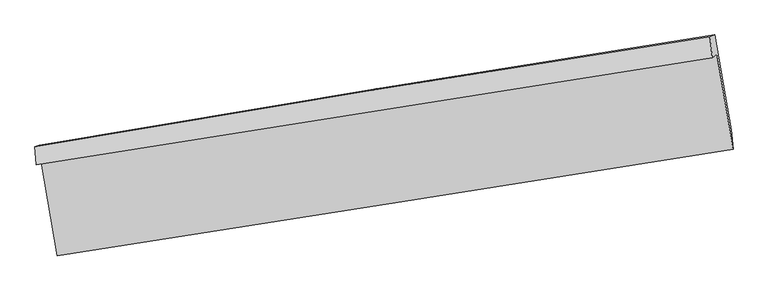
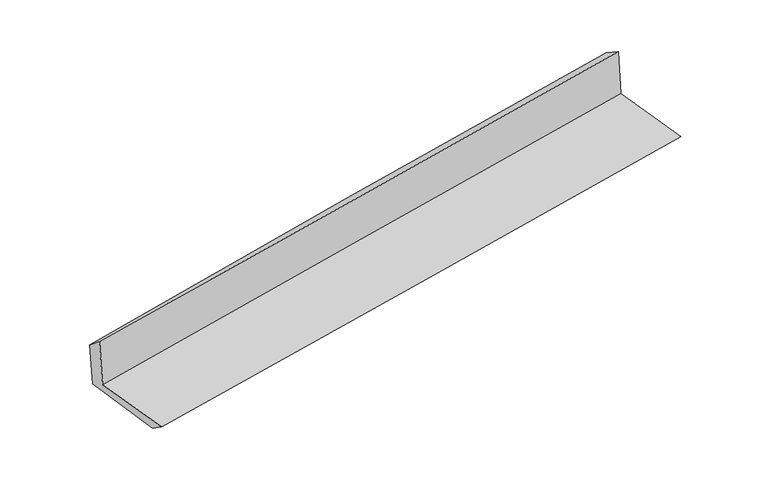
"""IFC4 building model written with IfcOpenShell, lengths in millimetres: proxy geometry."""

from ifc_helpers import new_model, si_unit, frame, origin, place, context, project, spatial, source, transform, mapped, element, save
from ifc_brep_helpers import plane_surface, spline_curve, spline_surface, advanced_brep


def generic_models_77f1a9a8(model_context):
    return source(origin(), model_context, "Body", "AdvancedBrep", [
        advanced_brep(
        [(-2387.631477, -1868.2403325, 1659.8923098), (-2278.0308674, -2521.5850602, 1650.9910548), (2448.4367162, -1775.7628556, 2081.0106591), (2335.4132915, -1113.0639478, 2097.6503986), (-2422.5742411, -1884.293183, 2061.8731), (2302.6490319, -1136.0593605, 2488.837331), (-2433.6428289, -1760.6643742, 1960.2118325), (2286.6944314, -989.3642936, 2395.7250519), (-2401.9618837, -1749.5814312, 1601.9309125), (2319.4816439, -977.8953557, 2024.9964556), (-2288.6911112, -2414.3268705, 1574.0908486), (2434.2746048, -1642.1676765, 1992.2862781)],
        [
            (0, 1),
            (1, 2, spline_curve(3, [(-2278.0308674, -2521.5850602, 1650.9910548), (-1489.908620033, -2399.322553105, 1721.312691955), (-701.999506684, -2276.043349912, 1792.306223232), (873.489740468, -2027.436199493, 1935.64592517), (1661.0698216, -1902.108001193, 2007.992262068), (2448.4367162, -1775.7628556, 2081.0106591)], [4, 2, 4], [0.0, 7.879478792293889, 15.759930779549702])),
            (2, 3),
            (3, 0, spline_curve(3, [(2335.4132915, -1113.0639478, 2097.6503986), (1547.888926556, -1237.780490816, 2025.960664424), (760.515384916, -1363.074049433, 1953.633664519), (-813.832833792, -1614.799653604, 1807.714144389), (-1600.807548425, -1741.23155648, 1734.121781291), (-2387.631477, -1868.2403325, 1659.8923098)], [4, 2, 4], [0.0, 7.880451987255813, 15.759930779549702])),
            (4, 0),
            (3, 5),
            (5, 4, spline_curve(3, [(2302.6490319, -1136.0593605, 2488.837331), (1515.48322641, -1261.933981687, 2415.347857467), (728.107388858, -1387.227925538, 2343.02064248), (-846.967087086, -1636.63905602, 2200.699519423), (-1634.665673995, -1760.756386632, 2130.705323895), (-2422.5742411, -1884.293183, 2061.8731)], [4, 2, 4], [0.0, 7.879531553355535, 15.75809002541796])),
            (6, 4),
            (5, 7),
            (7, 6, spline_curve(3, [(2286.6944314, -989.3642936, 2395.7250519), (1498.803177366, -1111.378893378, 2323.669009815), (711.471856035, -1236.665371007, 2251.345962699), (-861.973759048, -1493.766205903, 2106.174823796), (-1648.088191157, -1625.579755253, 2033.326797455), (-2433.6428289, -1760.6643742, 1960.2118325)], [4, 2, 4], [0.0, 7.879277295720625, 15.75758154154764])),
            (8, 6),
            (7, 9),
            (9, 8, spline_curve(3, [(2319.4816439, -977.8953557, 2024.9964556), (1531.772724475, -1099.8459595, 1950.865221876), (744.440364403, -1225.132611342, 1878.542077823), (-829.374051641, -1482.362127022, 1737.520676421), (-1615.85620085, -1614.304167077, 1668.821972921), (-2401.9618837, -1749.5814312, 1601.9309125)], [4, 2, 4], [0.0, 7.879079473363366, 15.757185921263158])),
            (10, 8),
            (9, 11),
            (11, 10, spline_curve(3, [(2434.2746048, -1642.1676765, 1992.2862781), (1646.40494656, -1764.108927487, 1917.304402792), (858.865357393, -1889.430334853, 1844.961856968), (-715.456466498, -2146.817567571, 1705.564032218), (-1502.238782608, -2278.882558293, 1638.508101532), (-2288.6911112, -2414.3268705, 1574.0908486)], [4, 2, 4], [0.0, 7.8800887287862995, 15.759204307471213])),
            (1, 10),
            (11, 2),
        ],
        [
            spline_surface(3, 3, [[(-2387.631477, -1868.2403325, 1659.8923098), (-1600.80754846, -1741.231556529, 1734.121781232), (-813.832833897, -1614.799653543, 1807.714144291), (760.515385021, -1363.074049493, 1953.633664618), (1547.888926623, -1237.780490863, 2025.960664482), (2335.4132915, -1113.0639478, 2097.6503986)], [(-2351.097940488, -2086.021908398, 1656.925224811), (-1563.841239003, -1960.59522205, 1729.852084795), (-776.555058149, -1835.214218969, 1802.578170555), (798.173503527, -1584.528099481, 1947.637751479), (1585.615891629, -1459.222994285, 2019.97119703), (2373.087766384, -1333.963583715, 2092.103818774)], [(-2314.564403912, -2303.803484302, 1653.958139789), (-1526.87492948, -2179.958887578, 1725.582388324), (-739.277282452, -2055.628784459, 1797.442196877), (835.831621982, -1805.982149532, 1941.641838399), (1623.342856684, -1680.665497761, 2013.981729555), (2410.762241316, -1554.863219685, 2086.557238926)], [(-2278.0308674, -2521.5850602, 1650.9910548), (-1489.908620023, -2399.322553099, 1721.312691887), (-701.999506703, -2276.043349885, 1792.306223141), (873.489740487, -2027.43619952, 1935.645925261), (1661.06982169, -1902.108001184, 2007.992262104), (2448.4367162, -1775.7628556, 2081.0106591)]], [4, 4], [4, 2, 4], [0.0, 2.206279897661887], [0.0, 7.879478792293889, 15.759930779549702]),
            spline_surface(3, 3, [[(-2422.5742411, -1884.293183, 2061.8731), (-1634.665674024, -1760.756386694, 2130.705323787), (-846.967087217, -1636.639056147, 2200.699519299), (728.107388988, -1387.227925411, 2343.020642604), (1515.483226516, -1261.933981755, 2415.347857386), (2302.6490319, -1136.0593605, 2488.837331)], [(-2410.926653042, -1878.942232831, 1927.879503275), (-1623.379632144, -1754.24810997, 1998.510809611), (-835.922336131, -1629.35925528, 2069.704394298), (738.910054312, -1379.176633439, 2213.224983277), (1526.285126577, -1253.882818128, 2285.552126412), (2313.570451792, -1128.394222938, 2358.441686861)], [(-2399.279065058, -1873.591282669, 1793.885906525), (-1612.093590339, -1747.739833253, 1866.316295409), (-824.877584983, -1622.079454411, 1938.709269292), (749.712719697, -1371.125341465, 2083.429323945), (1537.087026562, -1245.831654489, 2155.756395456), (2324.491871608, -1120.729085362, 2228.046042739)], [(-2387.631477, -1868.2403325, 1659.8923098), (-1600.80754846, -1741.231556529, 1734.121781232), (-813.832833897, -1614.799653543, 1807.714144291), (760.515385021, -1363.074049493, 1953.633664618), (1547.888926623, -1237.780490863, 2025.960664482), (2335.4132915, -1113.0639478, 2097.6503986)]], [4, 4], [4, 2, 4], [0.0, 1.2901222256845222], [0.0, 7.8785584720624255, 15.75809002541796]),
            spline_surface(3, 3, [[(-2433.6428289, -1760.6643742, 1960.2118325), (-1648.088191206, -1625.579755129, 2033.32679754), (-861.973759089, -1493.766205927, 2106.174823698), (711.471856077, -1236.665370983, 2251.345962797), (1498.80317735, -1111.378893333, 2323.669009728), (2286.6944314, -989.3642936, 2395.7250519)], [(-2429.95329964, -1801.873977107, 1994.09892166), (-1643.614018819, -1670.638632292, 2065.786306282), (-856.9715351, -1541.390489329, 2137.683055582), (717.017033745, -1286.852889122, 2281.904189416), (1504.36319371, -1161.563922806, 2354.228625605), (2292.012631538, -1038.262649232, 2426.762478257)], [(-2426.26377036, -1843.083580093, 2027.98601084), (-1639.139846411, -1715.697509532, 2098.245815045), (-851.969311206, -1589.014772744, 2169.191287416), (722.56221132, -1337.040407273, 2312.462415985), (1509.923210156, -1211.748952282, 2384.788241509), (2297.330831762, -1087.161004868, 2457.799904643)], [(-2422.5742411, -1884.293183, 2061.8731), (-1634.665674024, -1760.756386694, 2130.705323787), (-846.967087217, -1636.639056147, 2200.699519299), (728.107388988, -1387.227925411, 2343.020642604), (1515.483226516, -1261.933981755, 2415.347857386), (2302.6490319, -1136.0593605, 2488.837331)]], [4, 4], [4, 2, 4], [0.0, 0.5724483031830063], [0.0, 7.878304245827016, 15.75758154154764]),
            spline_surface(3, 3, [[(-2401.9618837, -1749.5814312, 1601.9309125), (-1615.85620093, -1614.304167019, 1668.821973016), (-829.374051712, -1482.36212706, 1737.520676541), (744.440364473, -1225.132611303, 1878.542077702), (1531.772724484, -1099.84595944, 1950.865221851), (2319.4816439, -977.8953557, 2024.9964556)], [(-2412.522198785, -1753.275745536, 1721.357885823), (-1626.600197708, -1618.062696392, 1790.32358118), (-840.240620856, -1486.163486691, 1860.405392266), (733.450861656, -1228.976864538, 2002.810039407), (1520.782875457, -1103.690270739, 2075.133151142), (2308.552573084, -981.718335002, 2148.572654365)], [(-2423.082513815, -1756.970059864, 1840.784859177), (-1637.344194429, -1621.821225756, 1911.825189376), (-851.107189945, -1489.964846296, 1983.290107973), (722.461358893, -1232.821117748, 2127.078001093), (1509.793026377, -1107.534582033, 2199.401080437), (2297.623502216, -985.541314298, 2272.148853135)], [(-2433.6428289, -1760.6643742, 1960.2118325), (-1648.088191206, -1625.579755129, 2033.32679754), (-861.973759089, -1493.766205927, 2106.174823698), (711.471856077, -1236.665370983, 2251.345962797), (1498.80317735, -1111.378893333, 2323.669009728), (2286.6944314, -989.3642936, 2395.7250519)]], [4, 4], [4, 2, 4], [0.0, 1.2216295237695114], [0.0, 7.878106447899792, 15.757185921263158]),
            spline_surface(3, 3, [[(-2288.6911112, -2414.3268705, 1574.0908486), (-1502.238782646, -2278.882558356, 1638.508101576), (-715.456466472, -2146.817567631, 1705.564032257), (858.865357367, -1889.430334793, 1844.961856929), (1646.404946477, -1764.10892757, 1917.304402711), (2434.2746048, -1642.1676765, 1992.2862781)], [(-2326.448035346, -2192.745057397, 1583.370869911), (-1540.111255387, -2057.356427908, 1648.612725401), (-753.42899487, -1925.332420788, 1716.216247025), (820.723693084, -1667.99776031, 1856.155263859), (1608.194205794, -1542.68793821, 1928.491342431), (2396.010284481, -1420.743569583, 2003.189670606)], [(-2364.204959554, -1971.163244303, 1592.650891189), (-1577.98372819, -1835.830297468, 1658.717349191), (-791.401523314, -1703.847273904, 1726.868461774), (782.582028756, -1446.565185786, 1867.348670772), (1569.983465167, -1321.2669488, 1939.678282132), (2357.745964219, -1199.319462617, 2014.093063094)], [(-2401.9618837, -1749.5814312, 1601.9309125), (-1615.85620093, -1614.304167019, 1668.821973016), (-829.374051712, -1482.36212706, 1737.520676541), (744.440364473, -1225.132611303, 1878.542077702), (1531.772724484, -1099.84595944, 1950.865221851), (2319.4816439, -977.8953557, 2024.9964556)]], [4, 4], [4, 2, 4], [0.0, 2.21427551521149], [0.0, 7.879115578684914, 15.759204307471213]),
            spline_surface(3, 3, [[(-2278.0308674, -2521.5850602, 1650.9910548), (-1489.908620023, -2399.322553099, 1721.312691887), (-701.999506703, -2276.043349885, 1792.306223141), (873.489740487, -2027.43619952, 1935.645925261), (1661.06982169, -1902.108001184, 2007.992262104), (2448.4367162, -1775.7628556, 2081.0106591)], [(-2281.584281998, -2485.832330331, 1625.357652719), (-1494.018674228, -2359.175888216, 1693.711161769), (-706.485159985, -2232.968089136, 1763.392159502), (868.614946089, -1981.434244614, 1905.417902473), (1656.181529973, -1856.108309975, 1977.762975642), (2443.716012421, -1731.231129229, 2051.435865436)], [(-2285.137696602, -2450.079600369, 1599.724250681), (-1498.12872844, -2319.02922324, 1666.109631694), (-710.970813191, -2189.892828379, 1734.478095896), (863.740151765, -1935.4322897, 1875.189879717), (1651.293238194, -1810.108618778, 1947.533689173), (2438.995308579, -1686.699402871, 2021.861071764)], [(-2288.6911112, -2414.3268705, 1574.0908486), (-1502.238782646, -2278.882558356, 1638.508101576), (-715.456466472, -2146.817567631, 1705.564032257), (858.865357367, -1889.430334793, 1844.961856929), (1646.404946477, -1764.10892757, 1917.304402711), (2434.2746048, -1642.1676765, 1992.2862781)]], [4, 4], [4, 2, 4], [0.0, 0.5282105177764069], [0.0, 7.880200234671317, 15.761373753409956]),
            plane_surface(frame((2354.49162, -1272.3855816, 2180.0843624), z_axis=(0.9819696585988031, 0.16516621056965694, 0.0919549480855166), x_axis=(-0.08805427838535737, -0.03080130867453429, 0.9956393541046729))),
            plane_surface(frame((-2368.7554016, -2033.1152086, 1751.498343), z_axis=(-0.9822485048749307, -0.16352299824243163, -0.09191356655450396), x_axis=(-0.16542647579737657, 0.986130608595975, 0.013435173813237798))),
        ],
        [
            (0, [[1, 2, 3, 4]]),
            (1, [[5, -4, 6, 7]]),
            (2, [[8, -7, 9, 10]]),
            (3, [[11, -10, 12, 13]]),
            (4, [[14, -13, 15, 16]]),
            (5, [[17, -16, 18, -2]]),
            (6, [[-12, -9, -6, -3, -18, -15]]),
            (7, [[-1, -5, -8, -11, -14, -17]]),
        ],
    ),
    ])


if __name__ == "__main__":
    model = new_model("IFC4")
    model_context = context("Model", 3, world=origin())
    ifc_project = project(units=[si_unit("LENGTHUNIT", "METRE", prefix="MILLI")], contexts=[model_context])
    site = spatial("IfcSite", under=ifc_project)
    building = spatial("IfcBuilding", under=site)
    placement = place(None, origin())
    generic_models_shape = generic_models_77f1a9a8(model_context)
    element("IfcBuildingElementProxy", 1, Name="Generic Models", at=placement, inside=building, context=model_context, shape_type="MappedRepresentation", body=[
        mapped(generic_models_shape, transform((0.0, 0.0, 0.0), x_axis=(1.0, 0.0, 0.0), y_axis=(0.0, 1.0, 0.0), z_axis=(0.0, 0.0, 1.0))),
    ])
    save(model, "model.ifc")
